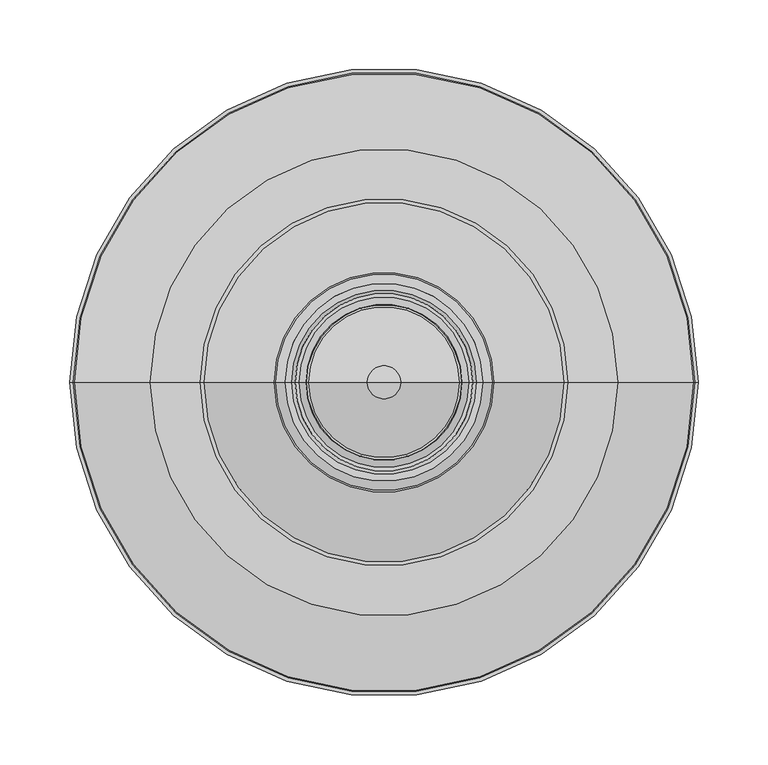
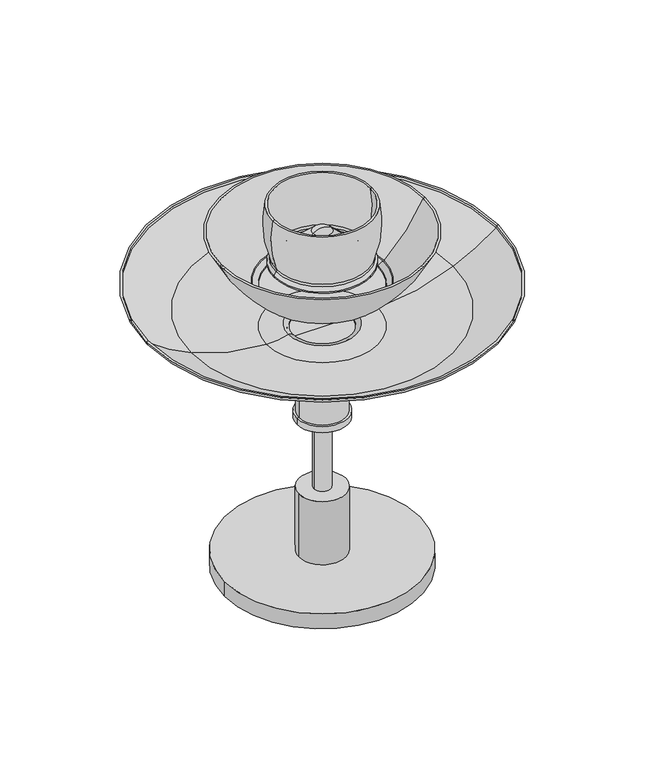
"""IFC4 building model written with IfcOpenShell, lengths in millimetres: light fixture geometry."""

from ifc_helpers import new_model, si_unit, point, frame, origin, origin_with_axes, origin_2d, place, context, project, spatial, polyline, circle_curve, ellipse_curve, trimmed, segment, composite_curve, outline, extrude, source, transform, mapped, element, save
from ifc_brep_helpers import plane_surface, cylinder_surface, revolved_surface, advanced_brep


def light_fixture_71b63457(model_context):
    return source(origin(), model_context, "Body", "SolidModel", [
        extrude(outline(composite_curve([segment(trimmed(circle_curve(origin_2d(), 30.0), [point((-30.0, 0.0))], [point((30.0, 0.0))], False, "CARTESIAN"), True, "CONTINUOUS"), segment(trimmed(circle_curve(origin_2d(), 30.0), [point((30.0, 0.0))], [point((-30.0, 0.0))], False, "CARTESIAN"), True, "CONTINUOUS")], self_intersect=False)), frame((0.0, 0.0, 20.0), z_axis=(0.0, 0.0, 1.0), x_axis=(1.0, 0.0, 0.0)), (0.0, 0.0, 1.0), 85.0350701),
        extrude(outline(composite_curve([segment(trimmed(circle_curve(origin_2d(), 125.0), [point((-125.0, 0.0))], [point((125.0, 0.0))], False, "CARTESIAN"), True, "CONTINUOUS"), segment(trimmed(circle_curve(origin_2d(), 125.0), [point((125.0, 0.0))], [point((-125.0, 0.0))], False, "CARTESIAN"), True, "CONTINUOUS")], self_intersect=False)), origin_with_axes(), (0.0, 0.0, 1.0), 20.0),
        extrude(outline(composite_curve([segment(trimmed(circle_curve(origin_2d(), 4.0), [point((0.0, -4.0))], [point((0.0, 4.0))], False, "CARTESIAN"), True, "CONTINUOUS"), segment(trimmed(circle_curve(origin_2d(), 4.0), [point((0.0, 4.0))], [point((0.0, -4.0))], False, "CARTESIAN"), True, "CONTINUOUS")], self_intersect=False)), origin_with_axes(), (0.0, 0.0, 1.0), 83.9006204),
        advanced_brep(
        [(0.0, 0.0, 454.7532792), (11.8269567, 0.0, 450.448619), (-11.8269567, 0.0, 450.448619), (-10.2827481, 0.0, 448.4702982), (10.2827481, 0.0, 448.4702982), (0.0, 0.0, 452.2336808), (-52.4466021, 0.0, 409.1518683), (52.4466021, 0.0, 409.1518683), (-53.2365005, 0.0, 408.553279), (53.2365005, 0.0, 408.553279), (-58.4714792, 0.0, 408.553279), (58.4714792, 0.0, 408.553279), (-58.4714792, 0.0, 410.0532778), (58.4714792, 0.0, 410.0532778), (-56.5605787, 0.0, 410.0532778), (56.5605787, 0.0, 410.0532778), (-54.1272778, 0.0, 411.0029314), (54.1272778, 0.0, 411.0029314)],
        [
            (0, 1, circle_curve(frame((-3.275731, 0.0, 427.353804), z_axis=(0.0, 1.0, 0.0), x_axis=(1.0, 0.0, 0.0)), 27.5945947)),
            (1, 2, circle_curve(frame((0.0, 0.0, 450.448619), z_axis=(0.0, 0.0, 1.0), x_axis=(1.0, 0.0, 0.0)), 11.8269567)),
            (2, 0, circle_curve(frame((3.275731, 0.0, 427.353804), z_axis=(0.0, 1.0, 0.0), x_axis=(-1.0, 0.0, 0.0)), 27.5945947)),
            (2, 1, circle_curve(frame((0.0, 0.0, 450.448619), z_axis=(0.0, 0.0, 1.0), x_axis=(1.0, 0.0, 0.0)), 11.8269567)),
            (3, 4, circle_curve(frame((0.0, 0.0, 448.4702982), z_axis=(0.0, 0.0, -1.0), x_axis=(1.0, 0.0, 0.0)), 10.2827481)),
            (4, 5, circle_curve(frame((-3.275731, 0.0, 427.353804), z_axis=(0.0, -1.0, 0.0), x_axis=(1.0, 0.0, 0.0)), 25.0945947)),
            (5, 3, circle_curve(frame((3.275731, 0.0, 427.353804), z_axis=(0.0, -1.0, 0.0), x_axis=(-1.0, 0.0, 0.0)), 25.0945947)),
            (4, 3, circle_curve(frame((0.0, 0.0, 448.4702982), z_axis=(0.0, 0.0, -1.0), x_axis=(1.0, 0.0, 0.0)), 10.2827481)),
            (6, 7, circle_curve(frame((0.0, 0.0, 409.1518683), z_axis=(0.0, 0.0, -1.0), x_axis=(1.0, 0.0, 0.0)), 52.4466021)),
            (7, 4),
            (3, 6),
            (7, 6, circle_curve(frame((0.0, 0.0, 409.1518683), z_axis=(0.0, 0.0, -1.0), x_axis=(1.0, 0.0, 0.0)), 52.4466021)),
            (8, 9, circle_curve(frame((0.0, 0.0, 408.553279), z_axis=(0.0, 0.0, -1.0), x_axis=(1.0, 0.0, 0.0)), 53.2365005)),
            (9, 7, circle_curve(frame((56.6528531, 0.0, 413.8819673), z_axis=(0.0, 1.0, 0.0), x_axis=(1.0, 0.0, 0.0)), 6.3298013)),
            (6, 8, circle_curve(frame((-56.6528531, 0.0, 413.8819673), z_axis=(0.0, 1.0, 0.0), x_axis=(-1.0, 0.0, 0.0)), 6.3298013)),
            (9, 8, circle_curve(frame((0.0, 0.0, 408.553279), z_axis=(0.0, 0.0, -1.0), x_axis=(1.0, 0.0, 0.0)), 53.2365005)),
            (10, 11, circle_curve(frame((0.0, 0.0, 408.553279), z_axis=(0.0, 0.0, -1.0), x_axis=(1.0, 0.0, 0.0)), 58.4714792)),
            (11, 9),
            (8, 10),
            (11, 10, circle_curve(frame((0.0, 0.0, 408.553279), z_axis=(0.0, 0.0, -1.0), x_axis=(1.0, 0.0, 0.0)), 58.4714792)),
            (12, 13, circle_curve(frame((0.0, 0.0, 410.0532778), z_axis=(0.0, 0.0, -1.0), x_axis=(1.0, 0.0, 0.0)), 58.4714792)),
            (13, 11),
            (10, 12),
            (13, 12, circle_curve(frame((0.0, 0.0, 410.0532778), z_axis=(0.0, 0.0, -1.0), x_axis=(1.0, 0.0, 0.0)), 58.4714792)),
            (14, 15, circle_curve(frame((0.0, 0.0, 410.0532778), z_axis=(0.0, 0.0, -1.0), x_axis=(1.0, 0.0, 0.0)), 56.5605787)),
            (15, 13),
            (12, 14),
            (15, 14, circle_curve(frame((0.0, 0.0, 410.0532778), z_axis=(0.0, 0.0, -1.0), x_axis=(1.0, 0.0, 0.0)), 56.5605787)),
            (16, 17, circle_curve(frame((0.0, 0.0, 411.0029314), z_axis=(0.0, 0.0, -1.0), x_axis=(1.0, 0.0, 0.0)), 54.1272778)),
            (17, 15, circle_curve(frame((56.6528531, 0.0, 413.8819673), z_axis=(0.0, -1.0, 0.0), x_axis=(1.0, 0.0, 0.0)), 3.8298013)),
            (14, 16, circle_curve(frame((-56.6528531, 0.0, 413.8819673), z_axis=(0.0, -1.0, 0.0), x_axis=(-1.0, 0.0, 0.0)), 3.8298013)),
            (17, 16, circle_curve(frame((0.0, 0.0, 411.0029314), z_axis=(0.0, 0.0, -1.0), x_axis=(1.0, 0.0, 0.0)), 54.1272778)),
            (1, 17),
            (16, 2),
        ],
        [
            revolved_surface(trimmed(ellipse_curve(frame((-3.275731, 0.0, 427.353804), z_axis=(0.0, -1.0, 0.0), x_axis=(1.0, 0.0, 0.0)), 27.5945947, 27.5945947), [point((11.8269567, 0.0, 450.448619))], [point((0.0, 0.0, 454.7532792))], True, "CARTESIAN"), (0.0, 0.0, 437.1623999), (0.0, 0.0, 1.0)),
            revolved_surface(trimmed(ellipse_curve(frame((-3.275731, 0.0, 427.353804), z_axis=(0.0, 1.0, 0.0), x_axis=(1.0, 0.0, 0.0)), 25.0945947, 25.0945947), [point((0.0, 0.0, 452.2336808))], [point((10.2827481, 0.0, 448.4702982))], True, "CARTESIAN"), (0.0, 0.0, 437.1623999), (0.0, 0.0, 1.0)),
            revolved_surface(polyline([(10.2827481, 0.0, 448.4702982), (52.4466021, 0.0, 409.1518683)]), (0.0, 0.0, 437.1623999), (0.0, 0.0, 1.0)),
            revolved_surface(trimmed(ellipse_curve(frame((56.6528531, 0.0, 413.8819673), z_axis=(0.0, -1.0, 0.0), x_axis=(1.0, 0.0, 0.0)), 6.3298013, 6.3298013), [point((52.4466021, 0.0, 409.1518683))], [point((53.2365005, 0.0, 408.553279))], True, "CARTESIAN"), (0.0, 0.0, 437.1623999), (0.0, 0.0, 1.0)),
            plane_surface(frame((0.0, 0.0, 408.553279), z_axis=(0.0, 0.0, -1.0), x_axis=(1.0, 0.0, 0.0))),
            cylinder_surface(frame((0.0, 0.0, 437.1623999), z_axis=(0.0, 0.0, 1.0), x_axis=(1.0, 0.0, 0.0)), 58.4714792),
            plane_surface(frame((0.0, 0.0, 410.0532778), z_axis=(0.0, 0.0, 1.0), x_axis=(1.0, 0.0, 0.0))),
            revolved_surface(trimmed(ellipse_curve(frame((56.6528531, 0.0, 413.8819673), z_axis=(0.0, 1.0, 0.0), x_axis=(1.0, 0.0, 0.0)), 3.8298013, 3.8298013), [point((56.5605787, 0.0, 410.0532778))], [point((54.1272778, 0.0, 411.0029314))], True, "CARTESIAN"), (0.0, 0.0, 437.1623999), (0.0, 0.0, 1.0)),
            revolved_surface(polyline([(54.1272778, 0.0, 411.0029314), (11.8269567, 0.0, 450.448619)]), (0.0, 0.0, 437.1623999), (0.0, 0.0, 1.0)),
        ],
        [
            (0, [[1, 2, 3]]),
            (0, [[-3, 4, -1]]),
            (1, [[5, 6, 7]]),
            (1, [[8, -7, -6]]),
            (2, [[9, 10, -5, 11]]),
            (2, [[12, -11, -8, -10]]),
            (3, [[13, 14, -9, 15]]),
            (3, [[16, -15, -12, -14]]),
            (4, [[17, 18, -13, 19]]),
            (4, [[20, -19, -16, -18]]),
            (5, [[21, 22, -17, 23]]),
            (5, [[24, -23, -20, -22]]),
            (6, [[25, 26, -21, 27]]),
            (6, [[28, -27, -24, -26]]),
            (7, [[29, 30, -25, 31]]),
            (7, [[32, -31, -28, -30]]),
            (8, [[-2, 33, -29, 34]]),
            (8, [[-4, -34, -32, -33]]),
        ],
    ),
        advanced_brep(
        [(42.5151567, 0.0, 322.900626), (-42.5151567, 0.0, 322.900626), (-71.0123294, 0.0, 318.8956096), (71.0123294, 0.0, 318.8956096), (39.5000008, 0.0, 321.3643274), (-39.5000008, 0.0, 321.3643274), (39.5000008, 0.0, 315.7006249), (-39.5000008, 0.0, 315.7006249), (37.0000008, 0.0, 315.7006249), (-37.0000008, 0.0, 315.7006249), (37.0000008, 0.0, 321.6901542), (-37.0000008, 0.0, 321.6901542), (43.2852006, 0.0, 325.2790777), (-43.2852006, 0.0, 325.2790777), (70.9277058, 0.0, 321.394177), (-70.9277058, 0.0, 321.394177), (167.2914245, 0.0, 343.6414944), (-167.2914245, 0.0, 343.6414944), (221.6257809, 0.0, 376.4607982), (-221.6257809, 0.0, 376.4607982), (222.39683, 0.0, 378.9827862), (-222.39683, 0.0, 378.9827862), (225.0110594, 0.0, 378.9827862), (-225.0110594, 0.0, 378.9827862), (223.7881309, 0.0, 374.9827676), (-223.7881309, 0.0, 374.9827676), (168.3106651, 0.0, 341.3587004), (-168.3106651, 0.0, 341.3587004)],
        [
            (0, 1, circle_curve(frame((0.0, 0.0, 322.900626), z_axis=(0.0, 0.0, 1.0), x_axis=(-1.0, 0.0, 0.0)), 42.5151567)),
            (1, 2, circle_curve(frame((-68.1907257, 0.0, 402.2053238), z_axis=(0.0, 1.0, 0.0), x_axis=(1.0, 0.0, 0.0)), 83.3574827)),
            (2, 3, circle_curve(frame((0.0, 0.0, 318.8956096), z_axis=(0.0, 0.0, -1.0), x_axis=(-1.0, 0.0, 0.0)), 71.0123294)),
            (3, 0, circle_curve(frame((68.1907257, 0.0, 402.2053238), z_axis=(0.0, 1.0, 0.0), x_axis=(-1.0, 0.0, 0.0)), 83.3574827)),
            (1, 0, circle_curve(frame((0.0, 0.0, 322.900626), z_axis=(0.0, 0.0, 1.0), x_axis=(-1.0, 0.0, 0.0)), 42.5151567)),
            (3, 2, circle_curve(frame((0.0, 0.0, 318.8956096), z_axis=(0.0, 0.0, -1.0), x_axis=(-1.0, 0.0, 0.0)), 71.0123294)),
            (4, 5, circle_curve(frame((0.0, 0.0, 321.3643274), z_axis=(0.0, 0.0, 1.0), x_axis=(-1.0, 0.0, 0.0)), 39.5000008)),
            (5, 1, circle_curve(frame((-41.777344, 0.0, 320.6217275), z_axis=(0.0, -1.0, 0.0), x_axis=(1.0, 0.0, 0.0)), 2.3953593)),
            (0, 4, circle_curve(frame((41.777344, 0.0, 320.6217275), z_axis=(0.0, -1.0, 0.0), x_axis=(-1.0, 0.0, 0.0)), 2.3953593)),
            (5, 4, circle_curve(frame((0.0, 0.0, 321.3643274), z_axis=(0.0, 0.0, 1.0), x_axis=(-1.0, 0.0, 0.0)), 39.5000008)),
            (6, 7, circle_curve(frame((0.0, 0.0, 315.7006249), z_axis=(0.0, 0.0, 1.0), x_axis=(-1.0, 0.0, 0.0)), 39.5000008)),
            (7, 5),
            (4, 6),
            (7, 6, circle_curve(frame((0.0, 0.0, 315.7006249), z_axis=(0.0, 0.0, 1.0), x_axis=(-1.0, 0.0, 0.0)), 39.5000008)),
            (8, 9, circle_curve(frame((0.0, 0.0, 315.7006249), z_axis=(0.0, 0.0, 1.0), x_axis=(-1.0, 0.0, 0.0)), 37.0000008)),
            (9, 7),
            (6, 8),
            (9, 8, circle_curve(frame((0.0, 0.0, 315.7006249), z_axis=(0.0, 0.0, 1.0), x_axis=(-1.0, 0.0, 0.0)), 37.0000008)),
            (10, 11, circle_curve(frame((0.0, 0.0, 321.6901542), z_axis=(0.0, 0.0, 1.0), x_axis=(-1.0, 0.0, 0.0)), 37.0000008)),
            (11, 9),
            (8, 10),
            (11, 10, circle_curve(frame((0.0, 0.0, 321.6901542), z_axis=(0.0, 0.0, 1.0), x_axis=(-1.0, 0.0, 0.0)), 37.0000008)),
            (12, 13, circle_curve(frame((0.0, 0.0, 325.2790777), z_axis=(0.0, 0.0, 1.0), x_axis=(-1.0, 0.0, 0.0)), 43.2852006)),
            (13, 11, circle_curve(frame((-41.777344, 0.0, 320.6217275), z_axis=(0.0, 1.0, 0.0), x_axis=(1.0, 0.0, 0.0)), 4.8953593)),
            (10, 12, circle_curve(frame((41.777344, 0.0, 320.6217275), z_axis=(0.0, 1.0, 0.0), x_axis=(-1.0, 0.0, 0.0)), 4.8953593)),
            (13, 12, circle_curve(frame((0.0, 0.0, 325.2790777), z_axis=(0.0, 0.0, 1.0), x_axis=(-1.0, 0.0, 0.0)), 43.2852006)),
            (14, 15, circle_curve(frame((0.0, 0.0, 321.394177), z_axis=(0.0, 0.0, 1.0), x_axis=(-1.0, 0.0, 0.0)), 70.9277058)),
            (15, 13, circle_curve(frame((-68.1907257, 0.0, 402.2053238), z_axis=(0.0, -1.0, 0.0), x_axis=(1.0, 0.0, 0.0)), 80.8574827)),
            (12, 14, circle_curve(frame((68.1907257, 0.0, 402.2053238), z_axis=(0.0, -1.0, 0.0), x_axis=(-1.0, 0.0, 0.0)), 80.8574827)),
            (15, 14, circle_curve(frame((0.0, 0.0, 321.394177), z_axis=(0.0, 0.0, 1.0), x_axis=(-1.0, 0.0, 0.0)), 70.9277058)),
            (16, 17, circle_curve(frame((0.0, 0.0, 343.6414944), z_axis=(0.0, 0.0, 1.0), x_axis=(-1.0, 0.0, 0.0)), 167.2914245)),
            (17, 15, circle_curve(frame((-62.2025883, 0.0, 579.0090331), z_axis=(0.0, -1.0, 0.0), x_axis=(1.0, 0.0, 0.0)), 257.7625686)),
            (14, 16, circle_curve(frame((62.2025883, 0.0, 579.0090331), z_axis=(0.0, -1.0, 0.0), x_axis=(-1.0, 0.0, 0.0)), 257.7625686)),
            (17, 16, circle_curve(frame((0.0, 0.0, 343.6414944), z_axis=(0.0, 0.0, 1.0), x_axis=(-1.0, 0.0, 0.0)), 167.2914245)),
            (18, 19, circle_curve(frame((0.0, 0.0, 376.4607982), z_axis=(0.0, 0.0, 1.0), x_axis=(-1.0, 0.0, 0.0)), 221.6257809)),
            (19, 17, circle_curve(frame((-62.2025883, 0.0, 579.0090331), z_axis=(0.0, -1.0, 0.0), x_axis=(1.0, 0.0, 0.0)), 257.7625686)),
            (16, 18, circle_curve(frame((62.2025883, 0.0, 579.0090331), z_axis=(0.0, -1.0, 0.0), x_axis=(-1.0, 0.0, 0.0)), 257.7625686)),
            (19, 18, circle_curve(frame((0.0, 0.0, 376.4607982), z_axis=(0.0, 0.0, 1.0), x_axis=(-1.0, 0.0, 0.0)), 221.6257809)),
            (20, 21, circle_curve(frame((0.0, 0.0, 378.9827862), z_axis=(0.0, 0.0, 1.0), x_axis=(-1.0, 0.0, 0.0)), 222.39683)),
            (21, 19),
            (18, 20),
            (21, 20, circle_curve(frame((0.0, 0.0, 378.9827862), z_axis=(0.0, 0.0, 1.0), x_axis=(-1.0, 0.0, 0.0)), 222.39683)),
            (22, 23, circle_curve(frame((0.0, 0.0, 378.9827862), z_axis=(0.0, 0.0, 1.0), x_axis=(-1.0, 0.0, 0.0)), 225.0110594)),
            (23, 21),
            (20, 22),
            (23, 22, circle_curve(frame((0.0, 0.0, 378.9827862), z_axis=(0.0, 0.0, 1.0), x_axis=(-1.0, 0.0, 0.0)), 225.0110594)),
            (24, 25, circle_curve(frame((0.0, 0.0, 374.9827676), z_axis=(0.0, 0.0, 1.0), x_axis=(-1.0, 0.0, 0.0)), 223.7881309)),
            (25, 23),
            (22, 24),
            (25, 24, circle_curve(frame((0.0, 0.0, 374.9827676), z_axis=(0.0, 0.0, 1.0), x_axis=(-1.0, 0.0, 0.0)), 223.7881309)),
            (26, 27, circle_curve(frame((0.0, 0.0, 341.3587004), z_axis=(0.0, 0.0, 1.0), x_axis=(-1.0, 0.0, 0.0)), 168.3106651)),
            (27, 25, circle_curve(frame((-62.2025883, 0.0, 579.0090331), z_axis=(0.0, 1.0, 0.0), x_axis=(1.0, 0.0, 0.0)), 260.2625686)),
            (24, 26, circle_curve(frame((62.2025883, 0.0, 579.0090331), z_axis=(0.0, 1.0, 0.0), x_axis=(-1.0, 0.0, 0.0)), 260.2625686)),
            (27, 26, circle_curve(frame((0.0, 0.0, 341.3587004), z_axis=(0.0, 0.0, 1.0), x_axis=(-1.0, 0.0, 0.0)), 168.3106651)),
            (2, 27, circle_curve(frame((-62.2025883, 0.0, 579.0090331), z_axis=(0.0, 1.0, 0.0), x_axis=(1.0, 0.0, 0.0)), 260.2625686)),
            (26, 3, circle_curve(frame((62.2025883, 0.0, 579.0090331), z_axis=(0.0, 1.0, 0.0), x_axis=(-1.0, 0.0, 0.0)), 260.2625686)),
        ],
        [
            revolved_surface(trimmed(ellipse_curve(frame((-68.1907257, 0.0, 402.2053238), z_axis=(0.0, -1.0, 0.0), x_axis=(1.0, 0.0, 0.0)), 83.3574827, 83.3574827), [point((-71.0123294, 0.0, 318.8956096))], [point((-42.5151567, 0.0, 322.900626))], True, "CARTESIAN"), (0.0, 0.0, 71.513312), (0.0, 0.0, -1.0)),
            revolved_surface(trimmed(ellipse_curve(frame((-41.777344, 0.0, 320.6217275), z_axis=(0.0, 1.0, 0.0), x_axis=(1.0, 0.0, 0.0)), 2.3953593, 2.3953593), [point((-42.5151567, 0.0, 322.900626))], [point((-39.5000008, 0.0, 321.3643274))], True, "CARTESIAN"), (0.0, 0.0, 71.513312), (0.0, 0.0, -1.0)),
            cylinder_surface(frame((0.0, 0.0, 71.513312), z_axis=(0.0, 0.0, -1.0), x_axis=(-1.0, 0.0, 0.0)), 39.5000008),
            plane_surface(frame((0.0, 0.0, 315.7006249), z_axis=(0.0, 0.0, -1.0), x_axis=(-1.0, 0.0, 0.0))),
            revolved_surface(polyline([(-37.0000008, 0.0, 315.7006249), (-37.0000008, 0.0, 321.6901542)]), (0.0, 0.0, 71.513312), (0.0, 0.0, -1.0)),
            revolved_surface(trimmed(ellipse_curve(frame((-41.777344, 0.0, 320.6217275), z_axis=(0.0, -1.0, 0.0), x_axis=(1.0, 0.0, 0.0)), 4.8953593, 4.8953593), [point((-37.0000008, 0.0, 321.6901542))], [point((-43.2852006, 0.0, 325.2790777))], True, "CARTESIAN"), (0.0, 0.0, 71.513312), (0.0, 0.0, -1.0)),
            revolved_surface(trimmed(ellipse_curve(frame((-68.1907257, 0.0, 402.2053238), z_axis=(0.0, 1.0, 0.0), x_axis=(1.0, 0.0, 0.0)), 80.8574827, 80.8574827), [point((-43.2852006, 0.0, 325.2790777))], [point((-70.9277058, 0.0, 321.394177))], True, "CARTESIAN"), (0.0, 0.0, 71.513312), (0.0, 0.0, -1.0)),
            revolved_surface(trimmed(ellipse_curve(frame((-62.2025883, 0.0, 579.0090331), z_axis=(0.0, 1.0, 0.0), x_axis=(1.0, 0.0, 0.0)), 257.7625686, 257.7625686), [point((-70.9277058, 0.0, 321.394177))], [point((-167.2914245, 0.0, 343.6414944))], True, "CARTESIAN"), (0.0, 0.0, 71.513312), (0.0, 0.0, -1.0)),
            revolved_surface(trimmed(ellipse_curve(frame((-62.2025883, 0.0, 579.0090331), z_axis=(0.0, 1.0, 0.0), x_axis=(1.0, 0.0, 0.0)), 257.7625686, 257.7625686), [point((-167.2914245, 0.0, 343.6414944))], [point((-221.6257809, 0.0, 376.4607982))], True, "CARTESIAN"), (0.0, 0.0, 71.513312), (0.0, 0.0, -1.0)),
            revolved_surface(polyline([(-221.6257809, 0.0, 376.4607982), (-222.39683, 0.0, 378.9827862)]), (0.0, 0.0, 71.513312), (0.0, 0.0, -1.0)),
            plane_surface(frame((0.0, 0.0, 378.9827862), z_axis=(0.0, 0.0, 1.0), x_axis=(-1.0, 0.0, 0.0))),
            revolved_surface(polyline([(-225.0110594, 0.0, 378.9827862), (-223.7881309, 0.0, 374.9827676)]), (0.0, 0.0, 71.513312), (0.0, 0.0, -1.0)),
            revolved_surface(trimmed(ellipse_curve(frame((-62.2025883, 0.0, 579.0090331), z_axis=(0.0, -1.0, 0.0), x_axis=(1.0, 0.0, 0.0)), 260.2625686, 260.2625686), [point((-223.7881309, 0.0, 374.9827676))], [point((-168.3106651, 0.0, 341.3587004))], True, "CARTESIAN"), (0.0, 0.0, 71.513312), (0.0, 0.0, -1.0)),
            revolved_surface(trimmed(ellipse_curve(frame((-62.2025883, 0.0, 579.0090331), z_axis=(0.0, -1.0, 0.0), x_axis=(1.0, 0.0, 0.0)), 260.2625686, 260.2625686), [point((-168.3106651, 0.0, 341.3587004))], [point((-71.0123294, 0.0, 318.8956096))], True, "CARTESIAN"), (0.0, 0.0, 71.513312), (0.0, 0.0, -1.0)),
        ],
        [
            (0, [[1, 2, 3, 4]]),
            (0, [[5, -4, 6, -2]]),
            (1, [[7, 8, -1, 9]]),
            (1, [[10, -9, -5, -8]]),
            (2, [[11, 12, -7, 13]]),
            (2, [[14, -13, -10, -12]]),
            (3, [[15, 16, -11, 17]]),
            (3, [[18, -17, -14, -16]]),
            (4, [[19, 20, -15, 21]]),
            (4, [[22, -21, -18, -20]]),
            (5, [[23, 24, -19, 25]]),
            (5, [[26, -25, -22, -24]]),
            (6, [[27, 28, -23, 29]]),
            (6, [[30, -29, -26, -28]]),
            (7, [[31, 32, -27, 33]]),
            (7, [[34, -33, -30, -32]]),
            (8, [[35, 36, -31, 37]]),
            (8, [[38, -37, -34, -36]]),
            (9, [[39, 40, -35, 41]]),
            (9, [[42, -41, -38, -40]]),
            (10, [[43, 44, -39, 45]]),
            (10, [[46, -45, -42, -44]]),
            (11, [[47, 48, -43, 49]]),
            (11, [[50, -49, -46, -48]]),
            (12, [[51, 52, -47, 53]]),
            (12, [[54, -53, -50, -52]]),
            (13, [[-3, 55, -51, 56]]),
            (13, [[-6, -56, -54, -55]]),
        ],
    ),
        advanced_brep(
        [(73.0973552, 0.0, 376.513312), (-73.0973552, 0.0, 376.513312), (-76.8540472, 0.0, 379.1390951), (76.8540472, 0.0, 379.1390951), (70.9811892, 0.0, 376.513312), (-70.9811892, 0.0, 376.513312), (70.9811892, 0.0, 377.8444174), (-70.9811892, 0.0, 377.8444174), (77.4572572, 0.0, 381.7458492), (-77.4572572, 0.0, 381.7458492), (78.6591065, 0.0, 382.3234832), (-78.6591065, 0.0, 382.3234832), (128.7584647, 0.0, 449.0477471), (-128.7584647, 0.0, 449.0477471), (131.5132883, 0.0, 449.0477471), (-131.5132883, 0.0, 449.0477471), (80.5840703, 0.0, 380.6864698), (-80.5840703, 0.0, 380.6864698)],
        [
            (0, 1, circle_curve(frame((0.0, 0.0, 376.513312), z_axis=(0.0, 0.0, 1.0), x_axis=(-1.0, 0.0, 0.0)), 73.0973552)),
            (1, 2, circle_curve(frame((-78.0871866, 0.0, 373.3746202), z_axis=(0.0, -1.0, 0.0), x_axis=(1.0, 0.0, 0.0)), 5.8948964)),
            (2, 3, circle_curve(frame((0.0, 0.0, 379.1390951), z_axis=(0.0, 0.0, -1.0), x_axis=(-1.0, 0.0, 0.0)), 76.8540472)),
            (3, 0, circle_curve(frame((78.0871866, 0.0, 373.3746202), z_axis=(0.0, -1.0, 0.0), x_axis=(-1.0, 0.0, 0.0)), 5.8948964)),
            (1, 0, circle_curve(frame((0.0, 0.0, 376.513312), z_axis=(0.0, 0.0, 1.0), x_axis=(-1.0, 0.0, 0.0)), 73.0973552)),
            (3, 2, circle_curve(frame((0.0, 0.0, 379.1390951), z_axis=(0.0, 0.0, -1.0), x_axis=(-1.0, 0.0, 0.0)), 76.8540472)),
            (4, 5, circle_curve(frame((0.0, 0.0, 376.513312), z_axis=(0.0, 0.0, 1.0), x_axis=(-1.0, 0.0, 0.0)), 70.9811892)),
            (5, 1),
            (0, 4),
            (5, 4, circle_curve(frame((0.0, 0.0, 376.513312), z_axis=(0.0, 0.0, 1.0), x_axis=(-1.0, 0.0, 0.0)), 70.9811892)),
            (6, 7, circle_curve(frame((0.0, 0.0, 377.8444174), z_axis=(0.0, 0.0, 1.0), x_axis=(-1.0, 0.0, 0.0)), 70.9811892)),
            (7, 5),
            (4, 6),
            (7, 6, circle_curve(frame((0.0, 0.0, 377.8444174), z_axis=(0.0, 0.0, 1.0), x_axis=(-1.0, 0.0, 0.0)), 70.9811892)),
            (8, 9, circle_curve(frame((0.0, 0.0, 381.7458492), z_axis=(0.0, 0.0, 1.0), x_axis=(-1.0, 0.0, 0.0)), 77.4572572)),
            (9, 7, circle_curve(frame((-78.0871866, 0.0, 373.3746202), z_axis=(0.0, 1.0, 0.0), x_axis=(1.0, 0.0, 0.0)), 8.3948964)),
            (6, 8, circle_curve(frame((78.0871866, 0.0, 373.3746202), z_axis=(0.0, 1.0, 0.0), x_axis=(-1.0, 0.0, 0.0)), 8.3948964)),
            (9, 8, circle_curve(frame((0.0, 0.0, 381.7458492), z_axis=(0.0, 0.0, 1.0), x_axis=(-1.0, 0.0, 0.0)), 77.4572572)),
            (10, 11, circle_curve(frame((0.0, 0.0, 382.3234832), z_axis=(0.0, 0.0, 1.0), x_axis=(-1.0, 0.0, 0.0)), 78.6591065)),
            (11, 9, circle_curve(frame((-76.2175979, 0.0, 385.8642615), z_axis=(0.0, -1.0, 0.0), x_axis=(1.0, 0.0, 0.0)), 4.3009389)),
            (8, 10, circle_curve(frame((76.2175979, 0.0, 385.8642615), z_axis=(0.0, -1.0, 0.0), x_axis=(-1.0, 0.0, 0.0)), 4.3009389)),
            (11, 10, circle_curve(frame((0.0, 0.0, 382.3234832), z_axis=(0.0, 0.0, 1.0), x_axis=(-1.0, 0.0, 0.0)), 78.6591065)),
            (12, 13, circle_curve(frame((0.0, 0.0, 449.0477471), z_axis=(0.0, 0.0, 1.0), x_axis=(-1.0, 0.0, 0.0)), 128.7584647)),
            (13, 11, circle_curve(frame((54.6138925, 0.0, 534.5608805), z_axis=(0.0, -1.0, 0.0), x_axis=(1.0, 0.0, 0.0)), 202.3312072)),
            (10, 12, circle_curve(frame((-54.6138925, 0.0, 534.5608805), z_axis=(0.0, -1.0, 0.0), x_axis=(-1.0, 0.0, 0.0)), 202.3312072)),
            (13, 12, circle_curve(frame((0.0, 0.0, 449.0477471), z_axis=(0.0, 0.0, 1.0), x_axis=(-1.0, 0.0, 0.0)), 128.7584647)),
            (14, 15, circle_curve(frame((0.0, 0.0, 449.0477471), z_axis=(0.0, 0.0, 1.0), x_axis=(-1.0, 0.0, 0.0)), 131.5132883)),
            (15, 13),
            (12, 14),
            (15, 14, circle_curve(frame((0.0, 0.0, 449.0477471), z_axis=(0.0, 0.0, 1.0), x_axis=(-1.0, 0.0, 0.0)), 131.5132883)),
            (16, 17, circle_curve(frame((0.0, 0.0, 380.6864698), z_axis=(0.0, 0.0, 1.0), x_axis=(-1.0, 0.0, 0.0)), 80.5840703)),
            (17, 15, circle_curve(frame((54.6138925, 0.0, 534.5608805), z_axis=(0.0, 1.0, 0.0), x_axis=(1.0, 0.0, 0.0)), 204.8312072)),
            (14, 16, circle_curve(frame((-54.6138925, 0.0, 534.5608805), z_axis=(0.0, 1.0, 0.0), x_axis=(-1.0, 0.0, 0.0)), 204.8312072)),
            (17, 16, circle_curve(frame((0.0, 0.0, 380.6864698), z_axis=(0.0, 0.0, 1.0), x_axis=(-1.0, 0.0, 0.0)), 80.5840703)),
            (2, 17, circle_curve(frame((-76.2081857, 0.0, 385.9653661), z_axis=(0.0, 1.0, 0.0), x_axis=(1.0, 0.0, 0.0)), 6.8567567)),
            (16, 3, circle_curve(frame((76.2081857, 0.0, 385.9653661), z_axis=(0.0, 1.0, 0.0), x_axis=(-1.0, 0.0, 0.0)), 6.8567567)),
        ],
        [
            revolved_surface(trimmed(ellipse_curve(frame((-78.0871866, 0.0, 373.3746202), z_axis=(0.0, 1.0, 0.0), x_axis=(1.0, 0.0, 0.0)), 5.8948964, 5.8948964), [point((-76.8540472, 0.0, 379.1390951))], [point((-73.0973552, 0.0, 376.513312))], True, "CARTESIAN"), (0.0, 0.0, 71.513312), (0.0, 0.0, -1.0)),
            plane_surface(frame((0.0, 0.0, 376.513312), z_axis=(0.0, 0.0, -1.0), x_axis=(-1.0, 0.0, 0.0))),
            revolved_surface(polyline([(-70.9811892, 0.0, 376.513312), (-70.9811892, 0.0, 377.8444174)]), (0.0, 0.0, 71.513312), (0.0, 0.0, -1.0)),
            revolved_surface(trimmed(ellipse_curve(frame((-78.0871866, 0.0, 373.3746202), z_axis=(0.0, -1.0, 0.0), x_axis=(1.0, 0.0, 0.0)), 8.3948964, 8.3948964), [point((-70.9811892, 0.0, 377.8444174))], [point((-77.4572572, 0.0, 381.7458492))], True, "CARTESIAN"), (0.0, 0.0, 71.513312), (0.0, 0.0, -1.0)),
            revolved_surface(trimmed(ellipse_curve(frame((-76.2175979, 0.0, 385.8642615), z_axis=(0.0, 1.0, 0.0), x_axis=(1.0, 0.0, 0.0)), 4.3009389, 4.3009389), [point((-77.4572572, 0.0, 381.7458492))], [point((-78.6591065, 0.0, 382.3234832))], True, "CARTESIAN"), (0.0, 0.0, 71.513312), (0.0, 0.0, -1.0)),
            revolved_surface(trimmed(ellipse_curve(frame((54.6138925, 0.0, 534.5608805), z_axis=(0.0, 1.0, 0.0), x_axis=(1.0, 0.0, 0.0)), 202.3312072, 202.3312072), [point((-78.6591065, 0.0, 382.3234832))], [point((-128.7584647, 0.0, 449.0477471))], True, "CARTESIAN"), (0.0, 0.0, 71.513312), (0.0, 0.0, -1.0)),
            plane_surface(frame((0.0, 0.0, 449.0477471), z_axis=(0.0, 0.0, 1.0), x_axis=(-1.0, 0.0, 0.0))),
            revolved_surface(trimmed(ellipse_curve(frame((54.6138925, 0.0, 534.5608805), z_axis=(0.0, -1.0, 0.0), x_axis=(1.0, 0.0, 0.0)), 204.8312072, 204.8312072), [point((-131.5132883, 0.0, 449.0477471))], [point((-80.5840703, 0.0, 380.6864698))], True, "CARTESIAN"), (0.0, 0.0, 71.513312), (0.0, 0.0, -1.0)),
            revolved_surface(trimmed(ellipse_curve(frame((-76.2081857, 0.0, 385.9653661), z_axis=(0.0, -1.0, 0.0), x_axis=(1.0, 0.0, 0.0)), 6.8567567, 6.8567567), [point((-80.5840703, 0.0, 380.6864698))], [point((-76.8540472, 0.0, 379.1390951))], True, "CARTESIAN"), (0.0, 0.0, 71.513312), (0.0, 0.0, -1.0)),
        ],
        [
            (0, [[1, 2, 3, 4]]),
            (0, [[5, -4, 6, -2]]),
            (1, [[7, 8, -1, 9]]),
            (1, [[10, -9, -5, -8]]),
            (2, [[11, 12, -7, 13]]),
            (2, [[14, -13, -10, -12]]),
            (3, [[15, 16, -11, 17]]),
            (3, [[18, -17, -14, -16]]),
            (4, [[19, 20, -15, 21]]),
            (4, [[22, -21, -18, -20]]),
            (5, [[23, 24, -19, 25]]),
            (5, [[26, -25, -22, -24]]),
            (6, [[27, 28, -23, 29]]),
            (6, [[30, -29, -26, -28]]),
            (7, [[31, 32, -27, 33]]),
            (7, [[34, -33, -30, -32]]),
            (8, [[-3, 35, -31, 36]]),
            (8, [[-6, -36, -34, -35]]),
        ],
    ),
        advanced_brep(
        [(61.5, 0.0, 408.553279), (-61.5, 0.0, 408.553279), (-61.5, 0.0, 410.053279), (61.5, 0.0, 410.053279), (59.0, 0.0, 408.553279), (-59.0, 0.0, 408.553279), (59.0, 0.0, 410.053279), (-59.0, 0.0, 410.053279), (57.212272, 0.0, 413.8317916), (-57.212272, 0.0, 413.8317916), (55.8074685, 0.0, 418.9614791), (-55.8074685, 0.0, 418.9614791), (61.111989, 0.0, 486.053954), (-61.111989, 0.0, 486.053954), (63.6595749, 0.0, 486.053954), (-63.6595749, 0.0, 486.053954), (58.2078198, 0.0, 418.245252), (-58.2078198, 0.0, 418.245252), (58.9241313, 0.0, 415.6586875), (-58.9241313, 0.0, 415.6586875)],
        [
            (0, 1, circle_curve(frame((0.0, 0.0, 408.553279), z_axis=(0.0, 0.0, 1.0), x_axis=(-1.0, 0.0, 0.0)), 61.5)),
            (1, 2),
            (2, 3, circle_curve(frame((0.0, 0.0, 410.053279), z_axis=(0.0, 0.0, -1.0), x_axis=(-1.0, 0.0, 0.0)), 61.5)),
            (3, 0),
            (1, 0, circle_curve(frame((0.0, 0.0, 408.553279), z_axis=(0.0, 0.0, 1.0), x_axis=(-1.0, 0.0, 0.0)), 61.5)),
            (3, 2, circle_curve(frame((0.0, 0.0, 410.053279), z_axis=(0.0, 0.0, -1.0), x_axis=(-1.0, 0.0, 0.0)), 61.5)),
            (4, 5, circle_curve(frame((0.0, 0.0, 408.553279), z_axis=(0.0, 0.0, 1.0), x_axis=(-1.0, 0.0, 0.0)), 59.0)),
            (5, 1),
            (0, 4),
            (5, 4, circle_curve(frame((0.0, 0.0, 408.553279), z_axis=(0.0, 0.0, 1.0), x_axis=(-1.0, 0.0, 0.0)), 59.0)),
            (6, 7, circle_curve(frame((0.0, 0.0, 410.053279), z_axis=(0.0, 0.0, 1.0), x_axis=(-1.0, 0.0, 0.0)), 59.0)),
            (7, 5),
            (4, 6),
            (7, 6, circle_curve(frame((0.0, 0.0, 410.053279), z_axis=(0.0, 0.0, 1.0), x_axis=(-1.0, 0.0, 0.0)), 59.0)),
            (8, 9, circle_curve(frame((0.0, 0.0, 413.8317916), z_axis=(0.0, 0.0, 1.0), x_axis=(-1.0, 0.0, 0.0)), 57.212272)),
            (9, 7, circle_curve(frame((-54.113035, 0.0, 410.053279), z_axis=(0.0, -1.0, 0.0), x_axis=(1.0, 0.0, 0.0)), 4.886965)),
            (6, 8, circle_curve(frame((54.113035, 0.0, 410.053279), z_axis=(0.0, -1.0, 0.0), x_axis=(-1.0, 0.0, 0.0)), 4.886965)),
            (9, 8, circle_curve(frame((0.0, 0.0, 413.8317916), z_axis=(0.0, 0.0, 1.0), x_axis=(-1.0, 0.0, 0.0)), 57.212272)),
            (10, 11, circle_curve(frame((0.0, 0.0, 418.9614791), z_axis=(0.0, 0.0, 1.0), x_axis=(-1.0, 0.0, 0.0)), 55.8074685)),
            (11, 9, circle_curve(frame((-61.0824044, 0.0, 417.6488582), z_axis=(0.0, 1.0, 0.0), x_axis=(1.0, 0.0, 0.0)), 5.4358001)),
            (8, 10, circle_curve(frame((61.0824044, 0.0, 417.6488582), z_axis=(0.0, 1.0, 0.0), x_axis=(-1.0, 0.0, 0.0)), 5.4358001)),
            (11, 10, circle_curve(frame((0.0, 0.0, 418.9614791), z_axis=(0.0, 0.0, 1.0), x_axis=(-1.0, 0.0, 0.0)), 55.8074685)),
            (12, 13, circle_curve(frame((0.0, 0.0, 486.053954), z_axis=(0.0, 0.0, 1.0), x_axis=(-1.0, 0.0, 0.0)), 61.111989)),
            (13, 11, circle_curve(frame((60.6884966, 0.0, 461.9279116), z_axis=(0.0, -1.0, 0.0), x_axis=(1.0, 0.0, 0.0)), 124.1669207)),
            (10, 12, circle_curve(frame((-60.6884966, 0.0, 461.9279116), z_axis=(0.0, -1.0, 0.0), x_axis=(-1.0, 0.0, 0.0)), 124.1669207)),
            (13, 12, circle_curve(frame((0.0, 0.0, 486.053954), z_axis=(0.0, 0.0, 1.0), x_axis=(-1.0, 0.0, 0.0)), 61.111989)),
            (14, 15, circle_curve(frame((0.0, 0.0, 486.053954), z_axis=(0.0, 0.0, 1.0), x_axis=(-1.0, 0.0, 0.0)), 63.6595749)),
            (15, 13),
            (12, 14),
            (15, 14, circle_curve(frame((0.0, 0.0, 486.053954), z_axis=(0.0, 0.0, 1.0), x_axis=(-1.0, 0.0, 0.0)), 63.6595749)),
            (16, 17, circle_curve(frame((0.0, 0.0, 418.245252), z_axis=(0.0, 0.0, 1.0), x_axis=(-1.0, 0.0, 0.0)), 58.2078198)),
            (17, 15, circle_curve(frame((60.6884966, 0.0, 461.9279116), z_axis=(0.0, 1.0, 0.0), x_axis=(1.0, 0.0, 0.0)), 126.6669207)),
            (14, 16, circle_curve(frame((-60.6884966, 0.0, 461.9279116), z_axis=(0.0, 1.0, 0.0), x_axis=(-1.0, 0.0, 0.0)), 126.6669207)),
            (17, 16, circle_curve(frame((0.0, 0.0, 418.245252), z_axis=(0.0, 0.0, 1.0), x_axis=(-1.0, 0.0, 0.0)), 58.2078198)),
            (18, 19, circle_curve(frame((0.0, 0.0, 415.6586875), z_axis=(0.0, 0.0, 1.0), x_axis=(-1.0, 0.0, 0.0)), 58.9241313)),
            (19, 17, circle_curve(frame((-61.0824044, 0.0, 417.6488582), z_axis=(0.0, -1.0, 0.0), x_axis=(1.0, 0.0, 0.0)), 2.9358001)),
            (16, 18, circle_curve(frame((61.0824044, 0.0, 417.6488582), z_axis=(0.0, -1.0, 0.0), x_axis=(-1.0, 0.0, 0.0)), 2.9358001)),
            (19, 18, circle_curve(frame((0.0, 0.0, 415.6586875), z_axis=(0.0, 0.0, 1.0), x_axis=(-1.0, 0.0, 0.0)), 58.9241313)),
            (2, 19, circle_curve(frame((-54.113035, 0.0, 410.053279), z_axis=(0.0, 1.0, 0.0), x_axis=(1.0, 0.0, 0.0)), 7.386965)),
            (18, 3, circle_curve(frame((54.113035, 0.0, 410.053279), z_axis=(0.0, 1.0, 0.0), x_axis=(-1.0, 0.0, 0.0)), 7.386965)),
        ],
        [
            cylinder_surface(frame((0.0, 0.0, 71.513312), z_axis=(0.0, 0.0, -1.0), x_axis=(-1.0, 0.0, 0.0)), 61.5),
            plane_surface(frame((0.0, 0.0, 408.553279), z_axis=(0.0, 0.0, -1.0), x_axis=(-1.0, 0.0, 0.0))),
            revolved_surface(polyline([(-59.0, 0.0, 408.553279), (-59.0, 0.0, 410.053279)]), (0.0, 0.0, 71.513312), (0.0, 0.0, -1.0)),
            revolved_surface(trimmed(ellipse_curve(frame((-54.113035, 0.0, 410.053279), z_axis=(0.0, 1.0, 0.0), x_axis=(1.0, 0.0, 0.0)), 4.886965, 4.886965), [point((-59.0, 0.0, 410.053279))], [point((-57.212272, 0.0, 413.8317916))], True, "CARTESIAN"), (0.0, 0.0, 71.513312), (0.0, 0.0, -1.0)),
            revolved_surface(trimmed(ellipse_curve(frame((-61.0824044, 0.0, 417.6488582), z_axis=(0.0, -1.0, 0.0), x_axis=(1.0, 0.0, 0.0)), 5.4358001, 5.4358001), [point((-57.212272, 0.0, 413.8317916))], [point((-55.8074685, 0.0, 418.9614791))], True, "CARTESIAN"), (0.0, 0.0, 71.513312), (0.0, 0.0, -1.0)),
            revolved_surface(trimmed(ellipse_curve(frame((60.6884966, 0.0, 461.9279116), z_axis=(0.0, 1.0, 0.0), x_axis=(1.0, 0.0, 0.0)), 124.1669207, 124.1669207), [point((-55.8074685, 0.0, 418.9614791))], [point((-61.111989, 0.0, 486.053954))], True, "CARTESIAN"), (0.0, 0.0, 71.513312), (0.0, 0.0, -1.0)),
            plane_surface(frame((0.0, 0.0, 486.053954), z_axis=(0.0, 0.0, 1.0), x_axis=(-1.0, 0.0, 0.0))),
            revolved_surface(trimmed(ellipse_curve(frame((60.6884966, 0.0, 461.9279116), z_axis=(0.0, -1.0, 0.0), x_axis=(1.0, 0.0, 0.0)), 126.6669207, 126.6669207), [point((-63.6595749, 0.0, 486.053954))], [point((-58.2078198, 0.0, 418.245252))], True, "CARTESIAN"), (0.0, 0.0, 71.513312), (0.0, 0.0, -1.0)),
            revolved_surface(trimmed(ellipse_curve(frame((-61.0824044, 0.0, 417.6488582), z_axis=(0.0, 1.0, 0.0), x_axis=(1.0, 0.0, 0.0)), 2.9358001, 2.9358001), [point((-58.2078198, 0.0, 418.245252))], [point((-58.9241313, 0.0, 415.6586875))], True, "CARTESIAN"), (0.0, 0.0, 71.513312), (0.0, 0.0, -1.0)),
            revolved_surface(trimmed(ellipse_curve(frame((-54.113035, 0.0, 410.053279), z_axis=(0.0, -1.0, 0.0), x_axis=(1.0, 0.0, 0.0)), 7.386965, 7.386965), [point((-58.9241313, 0.0, 415.6586875))], [point((-61.5, 0.0, 410.053279))], True, "CARTESIAN"), (0.0, 0.0, 71.513312), (0.0, 0.0, -1.0)),
        ],
        [
            (0, [[1, 2, 3, 4]]),
            (0, [[5, -4, 6, -2]]),
            (1, [[7, 8, -1, 9]]),
            (1, [[10, -9, -5, -8]]),
            (2, [[11, 12, -7, 13]]),
            (2, [[14, -13, -10, -12]]),
            (3, [[15, 16, -11, 17]]),
            (3, [[18, -17, -14, -16]]),
            (4, [[19, 20, -15, 21]]),
            (4, [[22, -21, -18, -20]]),
            (5, [[23, 24, -19, 25]]),
            (5, [[26, -25, -22, -24]]),
            (6, [[27, 28, -23, 29]]),
            (6, [[30, -29, -26, -28]]),
            (7, [[31, 32, -27, 33]]),
            (7, [[34, -33, -30, -32]]),
            (8, [[35, 36, -31, 37]]),
            (8, [[38, -37, -34, -36]]),
            (9, [[-3, 39, -35, 40]]),
            (9, [[-6, -40, -38, -39]]),
        ],
    ),
        advanced_brep(
        [(0.0, 0.0, 83.9006204), (-10.7596244, 0.0, 83.9006204), (10.7596244, 0.0, 83.9006204), (48.8237625, 0.0, 320.2199184), (-48.8237625, 0.0, 320.2199184), (0.0, 0.0, 320.2199184), (48.8237625, 0.0, 311.5119833), (-48.8237625, 0.0, 311.5119833), (35.772521, 0.0, 308.0149137), (-35.772521, 0.0, 308.0149137), (34.8871685, 0.0, 295.3537825), (-34.8871685, 0.0, 295.3537825), (29.6698823, 0.0, 295.3537825), (-29.6698823, 0.0, 295.3537825), (29.6698823, 0.0, 208.18988), (-29.6698823, 0.0, 208.18988), (32.5684858, 0.0, 208.18988), (-32.5684858, 0.0, 208.18988), (32.5684858, 0.0, 200.0), (-32.5684858, 0.0, 200.0), (10.7596244, 0.0, 200.0), (-10.7596244, 0.0, 200.0)],
        [
            (0, 1),
            (1, 2, circle_curve(frame((0.0, 0.0, 83.9006204), z_axis=(0.0, 0.0, -1.0), x_axis=(-1.0, 0.0, 0.0)), 10.7596244)),
            (2, 0),
            (2, 1, circle_curve(frame((0.0, 0.0, 83.9006204), z_axis=(0.0, 0.0, -1.0), x_axis=(-1.0, 0.0, 0.0)), 10.7596244)),
            (3, 4, circle_curve(frame((0.0, 0.0, 320.2199184), z_axis=(0.0, 0.0, 1.0), x_axis=(-1.0, 0.0, 0.0)), 48.8237625)),
            (4, 5),
            (5, 3),
            (4, 3, circle_curve(frame((0.0, 0.0, 320.2199184), z_axis=(0.0, 0.0, 1.0), x_axis=(-1.0, 0.0, 0.0)), 48.8237625)),
            (6, 7, circle_curve(frame((0.0, 0.0, 311.5119833), z_axis=(0.0, 0.0, 1.0), x_axis=(-1.0, 0.0, 0.0)), 48.8237625)),
            (7, 4),
            (3, 6),
            (7, 6, circle_curve(frame((0.0, 0.0, 311.5119833), z_axis=(0.0, 0.0, 1.0), x_axis=(-1.0, 0.0, 0.0)), 48.8237625)),
            (8, 9, circle_curve(frame((0.0, 0.0, 308.0149137), z_axis=(0.0, 0.0, 1.0), x_axis=(-1.0, 0.0, 0.0)), 35.772521)),
            (9, 7),
            (6, 8),
            (9, 8, circle_curve(frame((0.0, 0.0, 308.0149137), z_axis=(0.0, 0.0, 1.0), x_axis=(-1.0, 0.0, 0.0)), 35.772521)),
            (10, 11, circle_curve(frame((0.0, 0.0, 295.3537825), z_axis=(0.0, 0.0, 1.0), x_axis=(-1.0, 0.0, 0.0)), 34.8871685)),
            (11, 9),
            (8, 10),
            (11, 10, circle_curve(frame((0.0, 0.0, 295.3537825), z_axis=(0.0, 0.0, 1.0), x_axis=(-1.0, 0.0, 0.0)), 34.8871685)),
            (12, 13, circle_curve(frame((0.0, 0.0, 295.3537825), z_axis=(0.0, 0.0, 1.0), x_axis=(-1.0, 0.0, 0.0)), 29.6698823)),
            (13, 11),
            (10, 12),
            (13, 12, circle_curve(frame((0.0, 0.0, 295.3537825), z_axis=(0.0, 0.0, 1.0), x_axis=(-1.0, 0.0, 0.0)), 29.6698823)),
            (14, 15, circle_curve(frame((0.0, 0.0, 208.18988), z_axis=(0.0, 0.0, 1.0), x_axis=(-1.0, 0.0, 0.0)), 29.6698823)),
            (15, 13),
            (12, 14),
            (15, 14, circle_curve(frame((0.0, 0.0, 208.18988), z_axis=(0.0, 0.0, 1.0), x_axis=(-1.0, 0.0, 0.0)), 29.6698823)),
            (16, 17, circle_curve(frame((0.0, 0.0, 208.18988), z_axis=(0.0, 0.0, 1.0), x_axis=(-1.0, 0.0, 0.0)), 32.5684858)),
            (17, 15),
            (14, 16),
            (17, 16, circle_curve(frame((0.0, 0.0, 208.18988), z_axis=(0.0, 0.0, 1.0), x_axis=(-1.0, 0.0, 0.0)), 32.5684858)),
            (18, 19, circle_curve(frame((0.0, 0.0, 200.0), z_axis=(0.0, 0.0, 1.0), x_axis=(-1.0, 0.0, 0.0)), 32.5684858)),
            (19, 17),
            (16, 18),
            (19, 18, circle_curve(frame((0.0, 0.0, 200.0), z_axis=(0.0, 0.0, 1.0), x_axis=(-1.0, 0.0, 0.0)), 32.5684858)),
            (20, 21, circle_curve(frame((0.0, 0.0, 200.0), z_axis=(0.0, 0.0, 1.0), x_axis=(-1.0, 0.0, 0.0)), 10.7596244)),
            (21, 19),
            (18, 20),
            (21, 20, circle_curve(frame((0.0, 0.0, 200.0), z_axis=(0.0, 0.0, 1.0), x_axis=(-1.0, 0.0, 0.0)), 10.7596244)),
            (1, 21),
            (20, 2),
        ],
        [
            plane_surface(frame((0.0, 0.0, 83.9006204), z_axis=(0.0, 0.0, -1.0), x_axis=(-1.0, 0.0, 0.0))),
            plane_surface(frame((0.0, 0.0, 320.2199184), z_axis=(0.0, 0.0, 1.0), x_axis=(-1.0, 0.0, 0.0))),
            cylinder_surface(frame((0.0, 0.0, 63.9006204), z_axis=(0.0, 0.0, -1.0), x_axis=(-1.0, 0.0, 0.0)), 48.8237625),
            revolved_surface(polyline([(-48.8237625, 0.0, 311.5119833), (-35.772521, 0.0, 308.0149137)]), (0.0, 0.0, 63.9006204), (0.0, 0.0, -1.0)),
            revolved_surface(polyline([(-35.772521, 0.0, 308.0149137), (-34.8871685, 0.0, 295.3537825)]), (0.0, 0.0, 63.9006204), (0.0, 0.0, -1.0)),
            plane_surface(frame((0.0, 0.0, 295.3537825), z_axis=(0.0, 0.0, -1.0), x_axis=(-1.0, 0.0, 0.0))),
            cylinder_surface(frame((0.0, 0.0, 63.9006204), z_axis=(0.0, 0.0, -1.0), x_axis=(-1.0, 0.0, 0.0)), 29.6698823),
            plane_surface(frame((0.0, 0.0, 208.18988), z_axis=(0.0, 0.0, 1.0), x_axis=(-1.0, 0.0, 0.0))),
            cylinder_surface(frame((0.0, 0.0, 63.9006204), z_axis=(0.0, 0.0, -1.0), x_axis=(-1.0, 0.0, 0.0)), 32.5684858),
            plane_surface(frame((0.0, 0.0, 200.0), z_axis=(0.0, 0.0, -1.0), x_axis=(-1.0, 0.0, 0.0))),
            cylinder_surface(frame((0.0, 0.0, 63.9006204), z_axis=(0.0, 0.0, -1.0), x_axis=(-1.0, 0.0, 0.0)), 10.7596244),
        ],
        [
            (0, [[1, 2, 3]]),
            (0, [[-3, 4, -1]]),
            (1, [[5, 6, 7]]),
            (1, [[8, -7, -6]]),
            (2, [[9, 10, -5, 11]]),
            (2, [[12, -11, -8, -10]]),
            (3, [[13, 14, -9, 15]]),
            (3, [[16, -15, -12, -14]]),
            (4, [[17, 18, -13, 19]]),
            (4, [[20, -19, -16, -18]]),
            (5, [[21, 22, -17, 23]]),
            (5, [[24, -23, -20, -22]]),
            (6, [[25, 26, -21, 27]]),
            (6, [[28, -27, -24, -26]]),
            (7, [[29, 30, -25, 31]]),
            (7, [[32, -31, -28, -30]]),
            (8, [[33, 34, -29, 35]]),
            (8, [[36, -35, -32, -34]]),
            (9, [[37, 38, -33, 39]]),
            (9, [[40, -39, -36, -38]]),
            (10, [[-2, 41, -37, 42]]),
            (10, [[-4, -42, -40, -41]]),
        ],
    ),
    ])


if __name__ == "__main__":
    model = new_model("IFC4")
    model_context = context("Model", 3, world=origin())
    ifc_project = project(units=[si_unit("LENGTHUNIT", "METRE", prefix="MILLI")], contexts=[model_context])
    site = spatial("IfcSite", under=ifc_project)
    building = spatial("IfcBuilding", under=site)
    placement = place(None, origin())
    light_fixture_shape = light_fixture_71b63457(model_context)
    element("IfcLightFixture", 1, at=placement, inside=building, context=model_context, shape_type="MappedRepresentation", body=[
        mapped(light_fixture_shape, transform((0.0, 0.0, 0.0), x_axis=(1.0, 0.0, 0.0), y_axis=(0.0, 1.0, 0.0), z_axis=(0.0, 0.0, 1.0))),
    ])
    save(model, "model.ifc")
